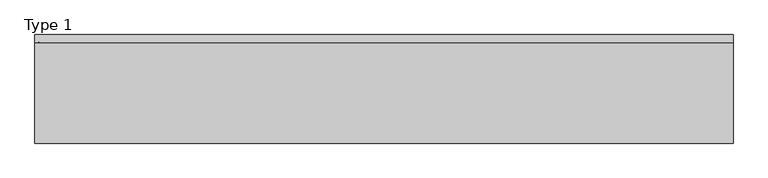
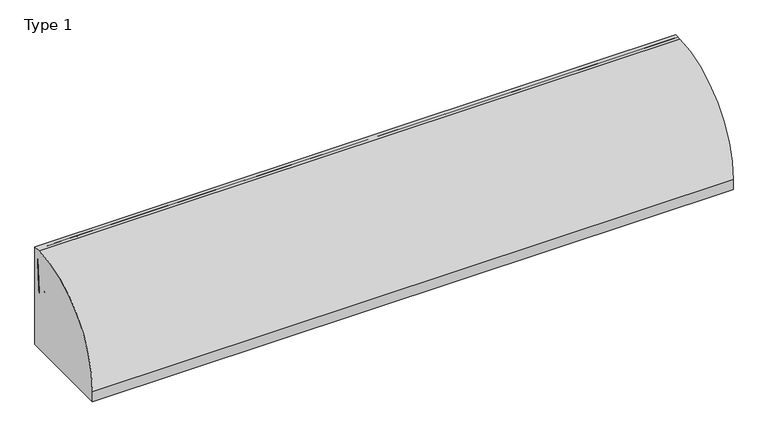
"""IFC4 building model written with IfcOpenShell, lengths in millimetres: railing geometry, Type 1."""

from ifc_helpers import new_model, si_unit, point, frame, frame_2d, origin, place, context, project, spatial, polyline, circle_curve, ellipse_curve, trimmed, segment, composite_curve, outline, extrude, source, transform, mapped, element, save
from ifc_brep_helpers import plane_surface, cylinder_surface, revolved_surface, advanced_brep


def type_1_98c625fb(model_context):
    return source(origin(), model_context, "Body", "SolidModel", [
        extrude(outline(composite_curve([segment(polyline([(824.2, 1050.0), (824.2, 0.0), (-187.2, 0.0), (-187.2, 108.0)]), True, "CONTINUOUS"), segment(trimmed(circle_curve(frame_2d((754.8273072, 108.0)), 942.0273072), [point((-187.2, 108.0))], [point((747.6546144, 1050.0))], False, "CARTESIAN"), True, "CONTINUOUS"), segment(polyline([(747.6546144, 1050.0), (824.2, 1050.0)]), True, "CONTINUOUS")], self_intersect=False)), frame((-400.0, 0.0, 0.0), z_axis=(1.0, 0.0, 0.0), x_axis=(0.0, 1.0, 0.0)), (0.0, 0.0, 1.0), 6500.0),
        extrude(outline(composite_curve([segment(polyline([(800.0, 185.0000001), (800.0, 1e-07), (598.1818182, 1e-07), (598.1818182, 41.5250756)]), True, "CONTINUOUS"), segment(trimmed(circle_curve(frame_2d((609.3939394, 41.5250756)), 11.2121212), [point((598.1818182, 41.5250756))], [point((601.4657725, 49.4532425))], False, "CARTESIAN"), True, "CONTINUOUS"), segment(polyline([(601.4657725, 49.4532425), (715.6668272, 163.6542973)]), True, "CONTINUOUS"), segment(trimmed(circle_curve(frame_2d((767.1999123, 112.1212122)), 72.8787879), [point((715.6668272, 163.6542973))], [point((767.1999123, 185.0000001))], False, "CARTESIAN"), True, "CONTINUOUS"), segment(polyline([(767.1999123, 185.0000001), (800.0, 185.0000001)]), True, "CONTINUOUS")], self_intersect=False), holes=[composite_curve([segment(trimmed(circle_curve(frame_2d((778.6969697, 93.0361975)), 67.389419), [point((711.3075507, 93.0361975))], [point((770.5995631, 159.9373619))], False, "CARTESIAN"), True, "CONTINUOUS"), segment(trimmed(circle_curve(frame_2d((770.8668077, 157.7293747)), 2.2241014), [point((770.5995631, 159.9373619))], [point((773.0909091, 157.7293747))], False, "CARTESIAN"), True, "CONTINUOUS"), segment(polyline([(773.0909091, 157.7293747), (773.0909091, 143.5676849)]), True, "CONTINUOUS"), segment(trimmed(circle_curve(frame_2d((778.6969697, 143.5676849)), 5.6060606), [point((773.0909091, 143.5676849))], [point((784.3030303, 143.5676849))], True, "CARTESIAN"), True, "CONTINUOUS"), segment(polyline([(784.3030303, 143.5676849), (784.3030303, 166.0316771)]), True, "CONTINUOUS"), segment(trimmed(circle_curve(frame_2d((778.6969697, 166.0316771)), 5.6060606), [point((784.3030303, 166.0316771))], [point((778.6969697, 171.6377377))], True, "CARTESIAN"), True, "CONTINUOUS"), segment(trimmed(circle_curve(frame_2d((778.6969697, 93.0361975)), 78.6015402), [point((778.6969697, 171.6377377))], [point((700.0954295, 93.0361975))], True, "CARTESIAN"), True, "CONTINUOUS"), segment(trimmed(circle_curve(frame_2d((705.7014901, 93.0361975)), 5.6060606), [point((700.0954295, 93.0361975))], [point((711.3075507, 93.0361975))], True, "CARTESIAN"), True, "CONTINUOUS")], self_intersect=False)]), frame((3622.3333333, 0.0, 0.0), z_axis=(1.0, 0.0, 0.0), x_axis=(0.0, 1.0, 0.0)), (0.0, 0.0, 1.0), 2.5),
        advanced_brep(
        [(3689.8333333, 800.0, 185.0000001), (3689.8333333, 800.0, 100.9768515), (3689.8333333, 800.0, 1e-07), (3689.8333333, 598.1818182, 1e-07), (3689.8333333, 598.1818182, 41.5250756), (3689.8333333, 601.4657725, 49.4532425), (3689.8333333, 715.6668272, 163.6542973), (3689.8333333, 767.1999123, 185.0000001), (3689.8333333, 711.3075507, 93.0361975), (3689.8333333, 770.5995631, 159.9373619), (3689.8333333, 773.0909091, 157.7293747), (3689.8333333, 773.0909091, 143.5676849), (3689.8333333, 784.3030303, 143.5676849), (3689.8333333, 784.3030303, 166.0316771), (3689.8333333, 778.6969697, 171.6377377), (3689.8333333, 700.0954295, 93.0361975), (3692.3333333, 800.0, 1e-07), (3692.3333333, 800.0, 100.9768515), (3692.3333333, 802.0, 100.9768515), (3692.3333333, 802.0, 185.0000001), (3692.3333333, 767.1999123, 185.0000001), (3692.3333333, 715.6668272, 163.6542973), (3692.3333333, 601.4657725, 49.4532425), (3692.3333333, 598.1818182, 41.5250756), (3692.3333333, 598.1818182, 1e-07), (3692.3333333, 711.3075507, 93.0361975), (3692.3333333, 700.0954295, 93.0361975), (3692.3333333, 778.6969697, 171.6377377), (3692.3333333, 784.3030303, 166.0316771), (3692.3333333, 784.3030303, 143.5676849), (3692.3333333, 773.0909091, 143.5676849), (3692.3333333, 773.0909091, 157.7293747), (3692.3333333, 770.5995631, 159.9373619), (3622.3333333, 802.0, 185.0000001), (3622.3333333, 800.0, 185.0000001), (3622.3333333, 802.0, 100.9768515), (3622.3333333, 800.0, 100.9768515)],
        [
            (0, 1),
            (1, 2),
            (2, 3),
            (3, 4),
            (4, 5, circle_curve(frame((3689.8333333, 609.3939394, 41.5250756), z_axis=(-1.0, 0.0, 0.0), x_axis=(0.0, 1.0, 0.0)), 11.2121212)),
            (5, 6),
            (6, 7, circle_curve(frame((3689.8333333, 767.1999123, 112.1212122), z_axis=(-1.0, 0.0, 0.0), x_axis=(0.0, 1.0, 0.0)), 72.8787879)),
            (7, 0),
            (8, 9, circle_curve(frame((3689.8333333, 778.6969697, 93.0361975), z_axis=(-1.0, 0.0, 0.0), x_axis=(0.0, 1.0, 0.0)), 67.389419)),
            (9, 10, circle_curve(frame((3689.8333333, 770.8668077, 157.7293747), z_axis=(-1.0, 0.0, 0.0), x_axis=(0.0, 1.0, 0.0)), 2.2241014)),
            (10, 11),
            (11, 12, circle_curve(frame((3689.8333333, 778.6969697, 143.5676849), z_axis=(1.0, 0.0, 0.0), x_axis=(0.0, 1.0, 0.0)), 5.6060606)),
            (12, 13),
            (13, 14, circle_curve(frame((3689.8333333, 778.6969697, 166.0316771), z_axis=(1.0, 0.0, 0.0), x_axis=(0.0, 1.0, 0.0)), 5.6060606)),
            (14, 15, circle_curve(frame((3689.8333333, 778.6969697, 93.0361975), z_axis=(1.0, 0.0, 0.0), x_axis=(0.0, 1.0, 0.0)), 78.6015402)),
            (15, 8, circle_curve(frame((3689.8333333, 705.7014901, 93.0361975), z_axis=(1.0, 0.0, 0.0), x_axis=(0.0, 1.0, 0.0)), 5.6060606)),
            (16, 17),
            (17, 18),
            (18, 19),
            (19, 20),
            (20, 21, circle_curve(frame((3692.3333333, 767.1999123, 112.1212122), z_axis=(1.0, 0.0, 0.0), x_axis=(0.0, 1.0, 0.0)), 72.8787879)),
            (21, 22),
            (22, 23, circle_curve(frame((3692.3333333, 609.3939394, 41.5250756), z_axis=(1.0, 0.0, 0.0), x_axis=(0.0, 1.0, 0.0)), 11.2121212)),
            (23, 24),
            (24, 16),
            (25, 26, circle_curve(frame((3692.3333333, 705.7014901, 93.0361975), z_axis=(-1.0, 0.0, 0.0), x_axis=(0.0, 1.0, 0.0)), 5.6060606)),
            (26, 27, circle_curve(frame((3692.3333333, 778.6969697, 93.0361975), z_axis=(-1.0, 0.0, 0.0), x_axis=(0.0, 1.0, 0.0)), 78.6015402)),
            (27, 28, circle_curve(frame((3692.3333333, 778.6969697, 166.0316771), z_axis=(-1.0, 0.0, 0.0), x_axis=(0.0, 1.0, 0.0)), 5.6060606)),
            (28, 29),
            (29, 30, circle_curve(frame((3692.3333333, 778.6969697, 143.5676849), z_axis=(-1.0, 0.0, 0.0), x_axis=(0.0, 1.0, 0.0)), 5.6060606)),
            (30, 31),
            (31, 32, circle_curve(frame((3692.3333333, 770.8668077, 157.7293747), z_axis=(1.0, 0.0, 0.0), x_axis=(0.0, 1.0, 0.0)), 2.2241014)),
            (32, 25, circle_curve(frame((3692.3333333, 778.6969697, 93.0361975), z_axis=(1.0, 0.0, 0.0), x_axis=(0.0, 1.0, 0.0)), 67.389419)),
            (7, 20),
            (19, 33),
            (33, 34),
            (34, 0),
            (6, 21),
            (5, 22),
            (4, 23),
            (3, 24),
            (2, 16),
            (1, 17),
            (15, 26),
            (25, 8),
            (14, 27),
            (13, 28),
            (32, 9),
            (12, 29),
            (11, 30),
            (10, 31),
            (18, 35),
            (35, 33),
            (36, 1),
            (34, 36),
            (35, 36),
        ],
        [
            plane_surface(frame((3689.8333333, 798.2270223, 185.0000001), z_axis=(-1.0, 0.0, 0.0), x_axis=(0.0, -1.0, 0.0))),
            plane_surface(frame((3692.3333333, 798.2270223, 185.0000001), z_axis=(1.0, 0.0, 0.0), x_axis=(0.0, 1.0, 0.0))),
            plane_surface(frame((3689.8333333, 800.0, 185.0000001), z_axis=(0.0, 0.0, 1.0), x_axis=(1.0, 0.0, 0.0))),
            cylinder_surface(frame((3692.3333333, 767.1999123, 112.1212122), z_axis=(-1.0, 0.0, 0.0), x_axis=(0.0, 1.0, 0.0)), 72.8787879),
            plane_surface(frame((3689.8333333, 715.6668272, 163.6542973), z_axis=(0.0, -0.7071067811865421, 0.7071067811865529), x_axis=(1.0, 0.0, 0.0))),
            cylinder_surface(frame((3692.3333333, 609.3939394, 41.5250756), z_axis=(-1.0, 0.0, 0.0), x_axis=(0.0, 1.0, 0.0)), 11.2121212),
            plane_surface(frame((3689.8333333, 598.1818182, 41.5250756), z_axis=(0.0, -1.0, 0.0), x_axis=(1.0, 0.0, 0.0))),
            plane_surface(frame((3689.8333333, 598.1818182, 1e-07), z_axis=(0.0, 0.0, -1.0), x_axis=(1.0, 0.0, 0.0))),
            plane_surface(frame((3689.8333333, 800.0, 1e-07), z_axis=(0.0, 1.0, 0.0), x_axis=(1.0, 0.0, 0.0))),
            revolved_surface(polyline([(3692.3333333, 711.3075507, 93.0361975), (3689.8333333, 711.3075507, 93.0361975)]), (3692.3333333, 705.7014901, 93.0361975), (1.0, 0.0, 0.0)),
            revolved_surface(polyline([(3692.3333333, 857.2985099, 93.0361975), (3689.8333333, 857.2985099, 93.0361975)]), (3692.3333333, 778.6969697, 93.0361975), (1.0, 0.0, 0.0)),
            revolved_surface(polyline([(3692.3333333, 784.3030302999999, 166.0316771), (3689.8333333, 784.3030302999999, 166.0316771)]), (3692.3333333, 778.6969697, 166.0316771), (1.0, 0.0, 0.0)),
            cylinder_surface(frame((3692.3333333, 778.6969697, 93.0361975), z_axis=(-1.0, 0.0, 0.0), x_axis=(0.0, 1.0, 0.0)), 67.389419),
            plane_surface(frame((3689.8333333, 784.3030303, 166.0316771), z_axis=(0.0, -1.0, 0.0), x_axis=(1.0, 0.0, 0.0))),
            revolved_surface(polyline([(3692.3333333, 784.3030302999999, 143.5676849), (3689.8333333, 784.3030302999999, 143.5676849)]), (3692.3333333, 778.6969697, 143.5676849), (1.0, 0.0, 0.0)),
            plane_surface(frame((3689.8333333, 773.0909091, 143.5676849), z_axis=(0.0, 1.0, 0.0), x_axis=(1.0, 0.0, 0.0))),
            cylinder_surface(frame((3692.3333333, 770.8668077, 157.7293747), z_axis=(-1.0, 0.0, 0.0), x_axis=(0.0, 1.0, 0.0)), 2.2241014),
            plane_surface(frame((3622.3333333, 802.0, 185.0000001), z_axis=(0.0, 1.0, 0.0), x_axis=(-1.0, 0.0, 0.0))),
            plane_surface(frame((3622.3333333, 800.0, 185.0000001), z_axis=(0.0, -1.0, 0.0), x_axis=(1.0, 0.0, 0.0))),
            plane_surface(frame((3622.3333333, 802.0, 185.0000001), z_axis=(-1.0, 0.0, 0.0), x_axis=(0.0, -1.0, 0.0))),
            plane_surface(frame((3622.3333333, 802.0, 100.9768515), z_axis=(0.0, 0.0, -1.0), x_axis=(0.0, -1.0, 0.0))),
        ],
        [
            (0, [[1, 2, 3, 4, 5, 6, 7, 8], [9, 10, 11, 12, 13, 14, 15, 16]]),
            (1, [[17, 18, 19, 20, 21, 22, 23, 24, 25], [26, 27, 28, 29, 30, 31, 32, 33]]),
            (2, [[34, -20, 35, 36, 37, -8]]),
            (3, [[38, -21, -34, -7]]),
            (4, [[39, -22, -38, -6]]),
            (5, [[40, -23, -39, -5]]),
            (6, [[41, -24, -40, -4]]),
            (7, [[42, -25, -41, -3]]),
            (8, [[-2, 43, -17, -42]]),
            (9, [[44, -26, 45, -16]]),
            (10, [[46, -27, -44, -15]]),
            (11, [[47, -28, -46, -14]]),
            (12, [[-45, -33, 48, -9]]),
            (13, [[49, -29, -47, -13]]),
            (14, [[50, -30, -49, -12]]),
            (15, [[51, -31, -50, -11]]),
            (16, [[-48, -32, -51, -10]]),
            (17, [[-19, 52, 53, -35]]),
            (18, [[54, -1, -37, 55]]),
            (19, [[56, -55, -36, -53]]),
            (20, [[-18, -43, -54, -56, -52]]),
        ],
    ),
        extrude(outline(composite_curve([segment(polyline([(3634.3333333, 800.0), (3680.3333333, 800.0)]), True, "CONTINUOUS"), segment(trimmed(circle_curve(frame_2d((3680.3333333, 795.0)), 5.0), [point((3680.3333333, 800.0))], [point((3685.3333333, 795.0))], False, "CARTESIAN"), True, "CONTINUOUS"), segment(polyline([(3685.3333333, 795.0), (3685.3333333, 767.0)]), True, "CONTINUOUS"), segment(trimmed(circle_curve(frame_2d((3680.3333333, 767.0)), 5.0), [point((3685.3333333, 767.0))], [point((3680.3333333, 762.0))], False, "CARTESIAN"), True, "CONTINUOUS"), segment(polyline([(3680.3333333, 762.0), (3634.3333333, 762.0)]), True, "CONTINUOUS"), segment(trimmed(circle_curve(frame_2d((3634.3333333, 767.0)), 5.0), [point((3634.3333333, 762.0))], [point((3629.3333333, 767.0))], False, "CARTESIAN"), True, "CONTINUOUS"), segment(polyline([(3629.3333333, 767.0), (3629.3333333, 795.0)]), True, "CONTINUOUS"), segment(trimmed(circle_curve(frame_2d((3634.3333333, 795.0)), 5.0), [point((3629.3333333, 795.0))], [point((3634.3333333, 800.0))], False, "CARTESIAN"), True, "CONTINUOUS")], self_intersect=False)), frame((0.0, 0.0, 43.0000001), z_axis=(0.0, 0.0, 1.0), x_axis=(1.0, 0.0, 0.0)), (0.0, 0.0, 1.0), 965.0),
        extrude(outline(composite_curve([segment(polyline([(1e-07, 3689.8333333), (36.5000001, 3689.8333333)]), True, "CONTINUOUS"), segment(trimmed(circle_curve(frame_2d((36.5000001, 3688.3333333)), 1.5), [point((36.5000001, 3689.8333333))], [point((36.5000001, 3686.8333333))], False, "CARTESIAN"), True, "CONTINUOUS"), segment(polyline([(36.5000001, 3686.8333333), (3.0000001, 3686.8333333), (3.0000001, 3627.8333333), (36.5000001, 3627.8333333)]), True, "CONTINUOUS"), segment(trimmed(circle_curve(frame_2d((36.5000001, 3626.3333333)), 1.5), [point((36.5000001, 3627.8333333))], [point((36.5000001, 3624.8333333))], False, "CARTESIAN"), True, "CONTINUOUS"), segment(polyline([(36.5000001, 3624.8333333), (1e-07, 3624.8333333), (1e-07, 3689.8333333)]), True, "CONTINUOUS")], self_intersect=False)), frame((0.0, 0.0, 0.0), z_axis=(0.0, 1.0, 0.0), x_axis=(0.0, 0.0, 1.0)), (0.0, 0.0, 1.0), 800.0),
        extrude(outline(composite_curve([segment(polyline([(800.0, 185.0), (800.0, 0.0), (598.1818182, 0.0), (598.1818182, 41.5250756)]), True, "CONTINUOUS"), segment(trimmed(circle_curve(frame_2d((609.3939394, 41.5250756)), 11.2121212), [point((598.1818182, 41.5250756))], [point((601.4657725, 49.4532425))], False, "CARTESIAN"), True, "CONTINUOUS"), segment(polyline([(601.4657725, 49.4532425), (715.6668272, 163.6542973)]), True, "CONTINUOUS"), segment(trimmed(circle_curve(frame_2d((767.1999123, 112.1212122)), 72.8787879), [point((715.6668272, 163.6542973))], [point((767.1999123, 185.0))], False, "CARTESIAN"), True, "CONTINUOUS"), segment(polyline([(767.1999123, 185.0), (800.0, 185.0)]), True, "CONTINUOUS")], self_intersect=False), holes=[composite_curve([segment(trimmed(circle_curve(frame_2d((778.6969697, 93.0361975)), 67.389419), [point((711.3075507, 93.0361975))], [point((770.5995631, 159.9373619))], False, "CARTESIAN"), True, "CONTINUOUS"), segment(trimmed(circle_curve(frame_2d((770.8668077, 157.7293747)), 2.2241014), [point((770.5995631, 159.9373619))], [point((773.0909091, 157.7293747))], False, "CARTESIAN"), True, "CONTINUOUS"), segment(polyline([(773.0909091, 157.7293747), (773.0909091, 143.5676849)]), True, "CONTINUOUS"), segment(trimmed(circle_curve(frame_2d((778.6969697, 143.5676849)), 5.6060606), [point((773.0909091, 143.5676849))], [point((784.3030303, 143.5676849))], True, "CARTESIAN"), True, "CONTINUOUS"), segment(polyline([(784.3030303, 143.5676849), (784.3030303, 166.0316771)]), True, "CONTINUOUS"), segment(trimmed(circle_curve(frame_2d((778.6969697, 166.0316771)), 5.6060606), [point((784.3030303, 166.0316771))], [point((778.6969697, 171.6377377))], True, "CARTESIAN"), True, "CONTINUOUS"), segment(trimmed(circle_curve(frame_2d((778.6969697, 93.0361975)), 78.6015402), [point((778.6969697, 171.6377377))], [point((700.0954295, 93.0361975))], True, "CARTESIAN"), True, "CONTINUOUS"), segment(trimmed(circle_curve(frame_2d((705.7014901, 93.0361975)), 5.6060606), [point((700.0954295, 93.0361975))], [point((711.3075507, 93.0361975))], True, "CARTESIAN"), True, "CONTINUOUS")], self_intersect=False)]), frame((1807.6666667, 0.0, 0.0), z_axis=(1.0, 0.0, 0.0), x_axis=(0.0, 1.0, 0.0)), (0.0, 0.0, 1.0), 2.5),
        advanced_brep(
        [(1875.1666667, 800.0, 185.0), (1875.1666667, 800.0, 100.9768515), (1875.1666667, 800.0, 0.0), (1875.1666667, 598.1818182, 0.0), (1875.1666667, 598.1818182, 41.5250756), (1875.1666667, 601.4657725, 49.4532425), (1875.1666667, 715.6668272, 163.6542973), (1875.1666667, 767.1999123, 185.0), (1875.1666667, 711.3075507, 93.0361975), (1875.1666667, 770.5995631, 159.9373619), (1875.1666667, 773.0909091, 157.7293747), (1875.1666667, 773.0909091, 143.5676849), (1875.1666667, 784.3030303, 143.5676849), (1875.1666667, 784.3030303, 166.0316771), (1875.1666667, 778.6969697, 171.6377377), (1875.1666667, 700.0954295, 93.0361975), (1877.6666667, 800.0, 0.0), (1877.6666667, 800.0, 100.9768515), (1877.6666667, 802.0, 100.9768515), (1877.6666667, 802.0, 185.0), (1877.6666667, 767.1999123, 185.0), (1877.6666667, 715.6668272, 163.6542973), (1877.6666667, 601.4657725, 49.4532425), (1877.6666667, 598.1818182, 41.5250756), (1877.6666667, 598.1818182, 0.0), (1877.6666667, 711.3075507, 93.0361975), (1877.6666667, 700.0954295, 93.0361975), (1877.6666667, 778.6969697, 171.6377377), (1877.6666667, 784.3030303, 166.0316771), (1877.6666667, 784.3030303, 143.5676849), (1877.6666667, 773.0909091, 143.5676849), (1877.6666667, 773.0909091, 157.7293747), (1877.6666667, 770.5995631, 159.9373619), (1807.6666667, 802.0, 185.0), (1807.6666667, 800.0, 185.0), (1807.6666667, 802.0, 100.9768515), (1807.6666667, 800.0, 100.9768515)],
        [
            (0, 1),
            (1, 2),
            (2, 3),
            (3, 4),
            (4, 5, circle_curve(frame((1875.1666667, 609.3939394, 41.5250756), z_axis=(-1.0, 0.0, 0.0), x_axis=(0.0, 1.0, 0.0)), 11.2121212)),
            (5, 6),
            (6, 7, circle_curve(frame((1875.1666667, 767.1999123, 112.1212122), z_axis=(-1.0, 0.0, 0.0), x_axis=(0.0, 1.0, 0.0)), 72.8787879)),
            (7, 0),
            (8, 9, circle_curve(frame((1875.1666667, 778.6969697, 93.0361975), z_axis=(-1.0, 0.0, 0.0), x_axis=(0.0, 1.0, 0.0)), 67.389419)),
            (9, 10, circle_curve(frame((1875.1666667, 770.8668077, 157.7293747), z_axis=(-1.0, 0.0, 0.0), x_axis=(0.0, 1.0, 0.0)), 2.2241014)),
            (10, 11),
            (11, 12, circle_curve(frame((1875.1666667, 778.6969697, 143.5676849), z_axis=(1.0, 0.0, 0.0), x_axis=(0.0, 1.0, 0.0)), 5.6060606)),
            (12, 13),
            (13, 14, circle_curve(frame((1875.1666667, 778.6969697, 166.0316771), z_axis=(1.0, 0.0, 0.0), x_axis=(0.0, 1.0, 0.0)), 5.6060606)),
            (14, 15, circle_curve(frame((1875.1666667, 778.6969697, 93.0361975), z_axis=(1.0, 0.0, 0.0), x_axis=(0.0, 1.0, 0.0)), 78.6015402)),
            (15, 8, circle_curve(frame((1875.1666667, 705.7014901, 93.0361975), z_axis=(1.0, 0.0, 0.0), x_axis=(0.0, 1.0, 0.0)), 5.6060606)),
            (16, 17),
            (17, 18),
            (18, 19),
            (19, 20),
            (20, 21, circle_curve(frame((1877.6666667, 767.1999123, 112.1212122), z_axis=(1.0, 0.0, 0.0), x_axis=(0.0, 1.0, 0.0)), 72.8787879)),
            (21, 22),
            (22, 23, circle_curve(frame((1877.6666667, 609.3939394, 41.5250756), z_axis=(1.0, 0.0, 0.0), x_axis=(0.0, 1.0, 0.0)), 11.2121212)),
            (23, 24),
            (24, 16),
            (25, 26, circle_curve(frame((1877.6666667, 705.7014901, 93.0361975), z_axis=(-1.0, 0.0, 0.0), x_axis=(0.0, 1.0, 0.0)), 5.6060606)),
            (26, 27, circle_curve(frame((1877.6666667, 778.6969697, 93.0361975), z_axis=(-1.0, 0.0, 0.0), x_axis=(0.0, 1.0, 0.0)), 78.6015402)),
            (27, 28, circle_curve(frame((1877.6666667, 778.6969697, 166.0316771), z_axis=(-1.0, 0.0, 0.0), x_axis=(0.0, 1.0, 0.0)), 5.6060606)),
            (28, 29),
            (29, 30, circle_curve(frame((1877.6666667, 778.6969697, 143.5676849), z_axis=(-1.0, 0.0, 0.0), x_axis=(0.0, 1.0, 0.0)), 5.6060606)),
            (30, 31),
            (31, 32, circle_curve(frame((1877.6666667, 770.8668077, 157.7293747), z_axis=(1.0, 0.0, 0.0), x_axis=(0.0, 1.0, 0.0)), 2.2241014)),
            (32, 25, circle_curve(frame((1877.6666667, 778.6969697, 93.0361975), z_axis=(1.0, 0.0, 0.0), x_axis=(0.0, 1.0, 0.0)), 67.389419)),
            (7, 20),
            (19, 33),
            (33, 34),
            (34, 0),
            (6, 21),
            (5, 22),
            (4, 23),
            (3, 24),
            (2, 16),
            (1, 17),
            (15, 26),
            (25, 8),
            (14, 27),
            (13, 28),
            (32, 9),
            (12, 29),
            (11, 30),
            (10, 31),
            (18, 35),
            (35, 33),
            (36, 1),
            (34, 36),
            (35, 36),
        ],
        [
            plane_surface(frame((1875.1666667, 798.2270223, 185.0), z_axis=(-1.0, 0.0, 0.0), x_axis=(0.0, -1.0, 0.0))),
            plane_surface(frame((1877.6666667, 798.2270223, 185.0), z_axis=(1.0, 0.0, 0.0), x_axis=(0.0, 1.0, 0.0))),
            plane_surface(frame((1875.1666667, 800.0, 185.0), z_axis=(0.0, 0.0, 1.0), x_axis=(1.0, 0.0, 0.0))),
            cylinder_surface(frame((1877.6666667, 767.1999123, 112.1212122), z_axis=(-1.0, 0.0, 0.0), x_axis=(0.0, 1.0, 0.0)), 72.8787879),
            plane_surface(frame((1875.1666667, 715.6668272, 163.6542973), z_axis=(0.0, -0.7071067811865421, 0.7071067811865529), x_axis=(1.0, 0.0, 0.0))),
            cylinder_surface(frame((1877.6666667, 609.3939394, 41.5250756), z_axis=(-1.0, 0.0, 0.0), x_axis=(0.0, 1.0, 0.0)), 11.2121212),
            plane_surface(frame((1875.1666667, 598.1818182, 41.5250756), z_axis=(0.0, -1.0, 0.0), x_axis=(1.0, 0.0, 0.0))),
            plane_surface(frame((1875.1666667, 598.1818182, 0.0), z_axis=(0.0, 0.0, -1.0), x_axis=(1.0, 0.0, 0.0))),
            plane_surface(frame((1875.1666667, 800.0, 0.0), z_axis=(0.0, 1.0, 0.0), x_axis=(1.0, 0.0, 0.0))),
            revolved_surface(polyline([(1877.6666667, 711.3075507, 93.0361975), (1875.1666667, 711.3075507, 93.0361975)]), (1877.6666667, 705.7014901, 93.0361975), (1.0, 0.0, 0.0)),
            revolved_surface(polyline([(1877.6666667, 857.2985099, 93.0361975), (1875.1666667, 857.2985099, 93.0361975)]), (1877.6666667, 778.6969697, 93.0361975), (1.0, 0.0, 0.0)),
            revolved_surface(polyline([(1877.6666667, 784.3030302999999, 166.0316771), (1875.1666667, 784.3030302999999, 166.0316771)]), (1877.6666667, 778.6969697, 166.0316771), (1.0, 0.0, 0.0)),
            cylinder_surface(frame((1877.6666667, 778.6969697, 93.0361975), z_axis=(-1.0, 0.0, 0.0), x_axis=(0.0, 1.0, 0.0)), 67.389419),
            plane_surface(frame((1875.1666667, 784.3030303, 166.0316771), z_axis=(0.0, -1.0, 0.0), x_axis=(1.0, 0.0, 0.0))),
            revolved_surface(polyline([(1877.6666667, 784.3030302999999, 143.5676849), (1875.1666667, 784.3030302999999, 143.5676849)]), (1877.6666667, 778.6969697, 143.5676849), (1.0, 0.0, 0.0)),
            plane_surface(frame((1875.1666667, 773.0909091, 143.5676849), z_axis=(0.0, 1.0, 0.0), x_axis=(1.0, 0.0, 0.0))),
            cylinder_surface(frame((1877.6666667, 770.8668077, 157.7293747), z_axis=(-1.0, 0.0, 0.0), x_axis=(0.0, 1.0, 0.0)), 2.2241014),
            plane_surface(frame((1807.6666667, 802.0, 185.0), z_axis=(0.0, 1.0, 0.0), x_axis=(-1.0, 0.0, 0.0))),
            plane_surface(frame((1807.6666667, 800.0, 185.0), z_axis=(0.0, -1.0, 0.0), x_axis=(1.0, 0.0, 0.0))),
            plane_surface(frame((1807.6666667, 802.0, 185.0), z_axis=(-1.0, 0.0, 0.0), x_axis=(0.0, -1.0, 0.0))),
            plane_surface(frame((1807.6666667, 802.0, 100.9768515), z_axis=(0.0, 0.0, -1.0), x_axis=(0.0, -1.0, 0.0))),
        ],
        [
            (0, [[1, 2, 3, 4, 5, 6, 7, 8], [9, 10, 11, 12, 13, 14, 15, 16]]),
            (1, [[17, 18, 19, 20, 21, 22, 23, 24, 25], [26, 27, 28, 29, 30, 31, 32, 33]]),
            (2, [[34, -20, 35, 36, 37, -8]]),
            (3, [[38, -21, -34, -7]]),
            (4, [[39, -22, -38, -6]]),
            (5, [[40, -23, -39, -5]]),
            (6, [[41, -24, -40, -4]]),
            (7, [[42, -25, -41, -3]]),
            (8, [[-2, 43, -17, -42]]),
            (9, [[44, -26, 45, -16]]),
            (10, [[46, -27, -44, -15]]),
            (11, [[47, -28, -46, -14]]),
            (12, [[-45, -33, 48, -9]]),
            (13, [[49, -29, -47, -13]]),
            (14, [[50, -30, -49, -12]]),
            (15, [[51, -31, -50, -11]]),
            (16, [[-48, -32, -51, -10]]),
            (17, [[-19, 52, 53, -35]]),
            (18, [[54, -1, -37, 55]]),
            (19, [[56, -55, -36, -53]]),
            (20, [[-18, -43, -54, -56, -52]]),
        ],
    ),
        extrude(outline(composite_curve([segment(polyline([(1819.6666667, 800.0), (1865.6666667, 800.0)]), True, "CONTINUOUS"), segment(trimmed(circle_curve(frame_2d((1865.6666667, 795.0)), 5.0), [point((1865.6666667, 800.0))], [point((1870.6666667, 795.0))], False, "CARTESIAN"), True, "CONTINUOUS"), segment(polyline([(1870.6666667, 795.0), (1870.6666667, 767.0)]), True, "CONTINUOUS"), segment(trimmed(circle_curve(frame_2d((1865.6666667, 767.0)), 5.0), [point((1870.6666667, 767.0))], [point((1865.6666667, 762.0))], False, "CARTESIAN"), True, "CONTINUOUS"), segment(polyline([(1865.6666667, 762.0), (1819.6666667, 762.0)]), True, "CONTINUOUS"), segment(trimmed(circle_curve(frame_2d((1819.6666667, 767.0)), 5.0), [point((1819.6666667, 762.0))], [point((1814.6666667, 767.0))], False, "CARTESIAN"), True, "CONTINUOUS"), segment(polyline([(1814.6666667, 767.0), (1814.6666667, 795.0)]), True, "CONTINUOUS"), segment(trimmed(circle_curve(frame_2d((1819.6666667, 795.0)), 5.0), [point((1814.6666667, 795.0))], [point((1819.6666667, 800.0))], False, "CARTESIAN"), True, "CONTINUOUS")], self_intersect=False)), frame((0.0, 0.0, 43.0), z_axis=(0.0, 0.0, 1.0), x_axis=(1.0, 0.0, 0.0)), (0.0, 0.0, 1.0), 965.0),
        extrude(outline(composite_curve([segment(polyline([(0.0, 1875.1666667), (36.5, 1875.1666667)]), True, "CONTINUOUS"), segment(trimmed(circle_curve(frame_2d((36.5, 1873.6666667)), 1.5), [point((36.5, 1875.1666667))], [point((36.5, 1872.1666667))], False, "CARTESIAN"), True, "CONTINUOUS"), segment(polyline([(36.5, 1872.1666667), (3.0, 1872.1666667), (3.0, 1813.1666667), (36.5, 1813.1666667)]), True, "CONTINUOUS"), segment(trimmed(circle_curve(frame_2d((36.5, 1811.6666667)), 1.5), [point((36.5, 1813.1666667))], [point((36.5, 1810.1666667))], False, "CARTESIAN"), True, "CONTINUOUS"), segment(polyline([(36.5, 1810.1666667), (0.0, 1810.1666667), (0.0, 1875.1666667)]), True, "CONTINUOUS")], self_intersect=False)), frame((0.0, 0.0, 0.0), z_axis=(0.0, 1.0, 0.0), x_axis=(0.0, 0.0, 1.0)), (0.0, 0.0, 1.0), 800.0),
        advanced_brep(
        [(-200.0, 746.3, 518.0), (-200.0, 746.3, 558.0), (-210.0, 746.3, 513.0), (-210.0, 746.3, 563.0)],
        [
            (0, 1, circle_curve(frame((-200.0, 746.3, 538.0), z_axis=(1.0, 0.0, 0.0), x_axis=(0.0, 0.0, 1.0)), 20.0)),
            (1, 0, circle_curve(frame((-200.0, 746.3, 538.0), z_axis=(1.0, 0.0, 0.0), x_axis=(0.0, 0.0, -1.0)), 20.0)),
            (2, 3, circle_curve(frame((-210.0, 746.3, 538.0), z_axis=(-1.0, 0.0, 0.0), x_axis=(0.0, 0.0, -1.0)), 25.0)),
            (3, 2, circle_curve(frame((-210.0, 746.3, 538.0), z_axis=(-1.0, 0.0, 0.0), x_axis=(0.0, 0.0, 1.0)), 25.0)),
            (2, 0),
            (1, 3),
        ],
        [
            plane_surface(frame((-200.0, 746.3, 538.0), z_axis=(1.0, 0.0, 0.0), x_axis=(0.0, -1.0, 0.0))),
            plane_surface(frame((-210.0, 746.3, 538.0), z_axis=(-1.0, 0.0, 0.0), x_axis=(0.0, -1.0, 0.0))),
            revolved_surface(polyline([(-200.0, 746.3, 518.0), (-210.0, 746.3, 513.0)]), (-160.0, 746.3, 538.0), (-1.0, 0.0, 0.0)),
            revolved_surface(polyline([(-200.0, 746.3, 558.0), (-210.0, 746.3, 563.0)]), (-160.0, 746.3, 538.0), (-1.0, 0.0, 0.0)),
        ],
        [
            (0, [[1, 2]]),
            (1, [[3, 4]]),
            (2, [[5, -2, 6, -3]]),
            (3, [[-6, -1, -5, -4]]),
        ],
    ),
        advanced_brep(
        [(0.0, 782.7768095, 1049.936779), (0.0, 779.2231905, 1000.063221), (-300.0, 779.2231905, 1000.063221), (-300.0, 782.7768095, 1049.936779), (-350.0, 775.6695715, 950.1896629), (-400.0, 775.6695715, 950.1896629), (-350.0, 751.6399996, 612.9446635), (-400.0, 751.6399996, 612.9446635), (-300.0, 748.0863806, 563.0711054), (-300.0, 744.5327616, 513.1975474), (-210.0, 744.5327616, 513.1975474), (-210.0, 748.0863806, 563.0711054)],
        [
            (0, 1, circle_curve(frame((0.0, 781.0, 1025.0), z_axis=(1.0, 0.0, 0.0), x_axis=(0.0, -0.07107238045514495, -0.9974711608545078)), 25.0)),
            (1, 0, circle_curve(frame((0.0, 781.0, 1025.0), z_axis=(1.0, 0.0, 0.0), x_axis=(0.0, -0.07107238045514495, -0.9974711608545078)), 25.0)),
            (1, 2),
            (2, 3, circle_curve(frame((-300.0, 781.0, 1025.0), z_axis=(1.0, 0.0, 0.0), x_axis=(0.0, -0.07107238045514495, -0.9974711608545078)), 25.0)),
            (3, 0),
            (3, 2, circle_curve(frame((-300.0, 781.0, 1025.0), z_axis=(1.0, 0.0, 0.0), x_axis=(0.0, -0.07107238045514495, -0.9974711608545078)), 25.0)),
            (4, 5, circle_curve(frame((-375.0, 775.6695715, 950.1896629), z_axis=(0.0, 0.07107238045514495, 0.9974711608545078), x_axis=(1.0000000000000002, 0.0, 0.0)), 25.0)),
            (5, 3, circle_curve(frame((-300.0, 775.6695715, 950.1896629), z_axis=(0.0, 0.9974711608545078, -0.07107238045514495), x_axis=(0.0, 0.07107238045514495, 0.9974711608545078)), 100.0)),
            (2, 4, circle_curve(frame((-300.0, 775.6695715, 950.1896629), z_axis=(0.0, -0.9974711608545078, 0.07107238045514495), x_axis=(0.0, 0.07107238045514495, 0.9974711608545078)), 50.0)),
            (5, 4, circle_curve(frame((-375.0, 775.6695715, 950.1896629), z_axis=(0.0, 0.07107238045514495, 0.9974711608545078), x_axis=(1.0000000000000002, 0.0, 0.0)), 25.0)),
            (4, 6),
            (6, 7, circle_curve(frame((-375.0, 751.6399996, 612.9446635), z_axis=(0.0, 0.07107238045514497, 0.9974711608545077), x_axis=(1.0, 0.0, 0.0)), 25.0)),
            (7, 5),
            (7, 6, circle_curve(frame((-375.0, 751.6399996, 612.9446635), z_axis=(0.0, 0.07107238045514497, 0.9974711608545077), x_axis=(1.0, 0.0, 0.0)), 25.0)),
            (8, 9, circle_curve(frame((-300.0, 746.3095711, 538.1343264), z_axis=(-1.0, 0.0, 0.0), x_axis=(0.0, 0.07107238045514497, 0.9974711608545078)), 25.0)),
            (9, 7, circle_curve(frame((-300.0, 751.6399996, 612.9446635), z_axis=(0.0, 0.9974711608545078, -0.07107238045514495), x_axis=(-1.0, 0.0, 0.0)), 100.0)),
            (6, 8, circle_curve(frame((-300.0, 751.6399996, 612.9446635), z_axis=(0.0, -0.9974711608545078, 0.07107238045514495), x_axis=(-1.0, 0.0, 0.0)), 50.0)),
            (9, 8, circle_curve(frame((-300.0, 746.3095711, 538.1343264), z_axis=(-1.0, 0.0, 0.0), x_axis=(0.0, 0.07107238045514497, 0.9974711608545078)), 25.0)),
            (10, 11, circle_curve(frame((-210.0, 746.3095711, 538.1343264), z_axis=(1.0, 0.0, 0.0), x_axis=(0.0, 0.07107238045514495, 0.9974711608545078)), 25.0)),
            (11, 10, circle_curve(frame((-210.0, 746.3095711, 538.1343264), z_axis=(1.0, 0.0, 0.0), x_axis=(0.0, 0.07107238045514495, 0.9974711608545078)), 25.0)),
            (8, 11),
            (10, 9),
        ],
        [
            plane_surface(frame((0.0, 782.7768095, 1049.936779), z_axis=(1.0000000000000002, 0.0, 0.0), x_axis=(0.0, 0.9974711608545078, -0.07107238045514495))),
            cylinder_surface(frame((0.0, 781.0, 1025.0), z_axis=(1.0000000000000002, 0.0, 0.0), x_axis=(0.0, -0.07107238045514495, -0.9974711608545078)), 25.0),
            revolved_surface(trimmed(ellipse_curve(frame((-300.0, 781.0, 1025.0), z_axis=(-1.0000000000000002, 0.0, 0.0), x_axis=(0.0, -0.07107238045514495, -0.9974711608545078)), 25.0, 25.0), [point((-300.0, 782.7768095, 1049.936779))], [point((-300.0, 779.2231905, 1000.063221))], True, "CARTESIAN"), (-300.0, 775.6695715, 950.1896629), (0.0, 0.9974711608545078, -0.07107238045514495)),
            revolved_surface(trimmed(ellipse_curve(frame((-300.0, 781.0, 1025.0), z_axis=(-1.0000000000000002, 0.0, 0.0), x_axis=(0.0, -0.07107238045514495, -0.9974711608545078)), 25.0, 25.0), [point((-300.0, 779.2231905, 1000.063221))], [point((-300.0, 782.7768095, 1049.936779))], True, "CARTESIAN"), (-300.0, 775.6695715, 950.1896629), (0.0, 0.9974711608545078, -0.07107238045514495)),
            cylinder_surface(frame((-375.0, 775.6695715, 950.1896629), z_axis=(0.0, 0.07107238045514497, 0.9974711608545077), x_axis=(1.0, 0.0, 0.0)), 25.0),
            revolved_surface(trimmed(ellipse_curve(frame((-375.0, 751.6399996, 612.9446635), z_axis=(0.0, -0.07107238045514498, -0.9974711608545078), x_axis=(1.0, 0.0, 0.0)), 25.0, 25.0), [point((-400.0, 751.6399996, 612.9446635))], [point((-350.0, 751.6399996, 612.9446635))], True, "CARTESIAN"), (-300.0, 751.6399996, 612.9446635), (0.0, 0.9974711608545078, -0.07107238045514495)),
            revolved_surface(trimmed(ellipse_curve(frame((-375.0, 751.6399996, 612.9446635), z_axis=(0.0, -0.07107238045514498, -0.9974711608545078), x_axis=(1.0, 0.0, 0.0)), 25.0, 25.0), [point((-350.0, 751.6399996, 612.9446635))], [point((-400.0, 751.6399996, 612.9446635))], True, "CARTESIAN"), (-300.0, 751.6399996, 612.9446635), (0.0, 0.9974711608545078, -0.07107238045514495)),
            plane_surface(frame((-210.0, 744.5327616, 513.1975474), z_axis=(1.0000000000000002, 0.0, 0.0), x_axis=(0.0, 0.9974711608545078, -0.07107238045514495))),
            cylinder_surface(frame((-300.0, 746.3095711, 538.1343264), z_axis=(-1.0, 0.0, 0.0), x_axis=(0.0, 0.07107238045514495, 0.9974711608545078)), 25.0),
        ],
        [
            (0, [[1, 2]]),
            (1, [[3, 4, 5, -2]]),
            (1, [[-5, 6, -3, -1]]),
            (2, [[7, 8, -4, 9]]),
            (3, [[10, -9, -6, -8]]),
            (4, [[11, 12, 13, -7]]),
            (4, [[-13, 14, -11, -10]]),
            (5, [[15, 16, -12, 17]]),
            (6, [[18, -17, -14, -16]]),
            (7, [[19, 20]]),
            (8, [[21, -19, 22, -15]]),
            (8, [[-22, -20, -21, -18]]),
        ],
    ),
        extrude(outline(composite_curve([segment(polyline([(727.7, 530.617273), (731.7, 530.617273), (731.7, 545.382727), (727.7, 545.382727)]), True, "CONTINUOUS"), segment(trimmed(circle_curve(frame_2d((746.287505, 538.0)), 20.0), [point((727.7, 545.382727))], [point((762.0, 550.3740657))], False, "CARTESIAN"), True, "CONTINUOUS"), segment(polyline([(762.0, 550.3740657), (762.0, 525.6259343)]), True, "CONTINUOUS"), segment(trimmed(circle_curve(frame_2d((746.287505, 538.0)), 20.0), [point((762.0, 525.6259343))], [point((727.7, 530.617273))], False, "CARTESIAN"), True, "CONTINUOUS")], self_intersect=False)), frame((-200.0, 0.0, 0.0), z_axis=(1.0, 0.0, 0.0), x_axis=(0.0, 1.0, 0.0)), (0.0, 0.0, 1.0), 6275.0),
        extrude(outline(composite_curve([segment(polyline([(802.0, 1011.43534), (802.0, 993.0), (801.0, 993.0), (801.0, 1008.0), (761.0, 1008.0), (761.0, 993.0), (760.0, 993.0), (760.0, 1011.43534)]), True, "CONTINUOUS"), segment(trimmed(circle_curve(frame_2d((781.0, 1025.0)), 25.0), [point((760.0, 1011.43534))], [point((802.0, 1011.43534))], False, "CARTESIAN"), True, "CONTINUOUS")], self_intersect=False)), frame((0.0, 0.0, 0.0), z_axis=(1.0, 0.0, 0.0), x_axis=(0.0, 1.0, 0.0)), (0.0, 0.0, 1.0), 6100.0),
        extrude(outline(composite_curve([segment(polyline([(800.0, 185.0), (800.0, 0.0), (598.1818182, 0.0), (598.1818182, 41.5250756)]), True, "CONTINUOUS"), segment(trimmed(circle_curve(frame_2d((609.3939394, 41.5250756)), 11.2121212), [point((598.1818182, 41.5250756))], [point((601.4657725, 49.4532425))], False, "CARTESIAN"), True, "CONTINUOUS"), segment(polyline([(601.4657725, 49.4532425), (715.6668272, 163.6542973)]), True, "CONTINUOUS"), segment(trimmed(circle_curve(frame_2d((767.1999123, 112.1212122)), 72.8787879), [point((715.6668272, 163.6542973))], [point((767.1999123, 185.0))], False, "CARTESIAN"), True, "CONTINUOUS"), segment(polyline([(767.1999123, 185.0), (800.0, 185.0)]), True, "CONTINUOUS")], self_intersect=False), holes=[composite_curve([segment(trimmed(circle_curve(frame_2d((778.6969697, 93.0361975)), 67.389419), [point((711.3075507, 93.0361975))], [point((770.5995631, 159.9373619))], False, "CARTESIAN"), True, "CONTINUOUS"), segment(trimmed(circle_curve(frame_2d((770.8668077, 157.7293747)), 2.2241014), [point((770.5995631, 159.9373619))], [point((773.0909091, 157.7293747))], False, "CARTESIAN"), True, "CONTINUOUS"), segment(polyline([(773.0909091, 157.7293747), (773.0909091, 143.5676849)]), True, "CONTINUOUS"), segment(trimmed(circle_curve(frame_2d((778.6969697, 143.5676849)), 5.6060606), [point((773.0909091, 143.5676849))], [point((784.3030303, 143.5676849))], True, "CARTESIAN"), True, "CONTINUOUS"), segment(polyline([(784.3030303, 143.5676849), (784.3030303, 166.0316771)]), True, "CONTINUOUS"), segment(trimmed(circle_curve(frame_2d((778.6969697, 166.0316771)), 5.6060606), [point((784.3030303, 166.0316771))], [point((778.6969697, 171.6377377))], True, "CARTESIAN"), True, "CONTINUOUS"), segment(trimmed(circle_curve(frame_2d((778.6969697, 93.0361975)), 78.6015402), [point((778.6969697, 171.6377377))], [point((700.0954295, 93.0361975))], True, "CARTESIAN"), True, "CONTINUOUS"), segment(trimmed(circle_curve(frame_2d((705.7014901, 93.0361975)), 5.6060606), [point((700.0954295, 93.0361975))], [point((711.3075507, 93.0361975))], True, "CARTESIAN"), True, "CONTINUOUS")], self_intersect=False)]), frame((5437.0, 0.0, 0.0), z_axis=(1.0, 0.0, 0.0), x_axis=(0.0, 1.0, 0.0)), (0.0, 0.0, 1.0), 2.5),
        advanced_brep(
        [(5504.5, 800.0, 185.0), (5504.5, 800.0, 100.9768515), (5504.5, 800.0, 0.0), (5504.5, 598.1818182, 0.0), (5504.5, 598.1818182, 41.5250756), (5504.5, 601.4657725, 49.4532425), (5504.5, 715.6668272, 163.6542973), (5504.5, 767.1999123, 185.0), (5504.5, 711.3075507, 93.0361975), (5504.5, 770.5995631, 159.9373619), (5504.5, 773.0909091, 157.7293747), (5504.5, 773.0909091, 143.5676849), (5504.5, 784.3030303, 143.5676849), (5504.5, 784.3030303, 166.0316771), (5504.5, 778.6969697, 171.6377377), (5504.5, 700.0954295, 93.0361975), (5507.0, 800.0, 0.0), (5507.0, 800.0, 100.9768515), (5507.0, 802.0, 100.9768515), (5507.0, 802.0, 185.0), (5507.0, 767.1999123, 185.0), (5507.0, 715.6668272, 163.6542973), (5507.0, 601.4657725, 49.4532425), (5507.0, 598.1818182, 41.5250756), (5507.0, 598.1818182, 0.0), (5507.0, 711.3075507, 93.0361975), (5507.0, 700.0954295, 93.0361975), (5507.0, 778.6969697, 171.6377377), (5507.0, 784.3030303, 166.0316771), (5507.0, 784.3030303, 143.5676849), (5507.0, 773.0909091, 143.5676849), (5507.0, 773.0909091, 157.7293747), (5507.0, 770.5995631, 159.9373619), (5437.0, 802.0, 185.0), (5437.0, 800.0, 185.0), (5437.0, 802.0, 100.9768515), (5437.0, 800.0, 100.9768515)],
        [
            (0, 1),
            (1, 2),
            (2, 3),
            (3, 4),
            (4, 5, circle_curve(frame((5504.5, 609.3939394, 41.5250756), z_axis=(-1.0, 0.0, 0.0), x_axis=(0.0, 1.0, 0.0)), 11.2121212)),
            (5, 6),
            (6, 7, circle_curve(frame((5504.5, 767.1999123, 112.1212122), z_axis=(-1.0, 0.0, 0.0), x_axis=(0.0, 1.0, 0.0)), 72.8787879)),
            (7, 0),
            (8, 9, circle_curve(frame((5504.5, 778.6969697, 93.0361975), z_axis=(-1.0, 0.0, 0.0), x_axis=(0.0, 1.0, 0.0)), 67.389419)),
            (9, 10, circle_curve(frame((5504.5, 770.8668077, 157.7293747), z_axis=(-1.0, 0.0, 0.0), x_axis=(0.0, 1.0, 0.0)), 2.2241014)),
            (10, 11),
            (11, 12, circle_curve(frame((5504.5, 778.6969697, 143.5676849), z_axis=(1.0, 0.0, 0.0), x_axis=(0.0, 1.0, 0.0)), 5.6060606)),
            (12, 13),
            (13, 14, circle_curve(frame((5504.5, 778.6969697, 166.0316771), z_axis=(1.0, 0.0, 0.0), x_axis=(0.0, 1.0, 0.0)), 5.6060606)),
            (14, 15, circle_curve(frame((5504.5, 778.6969697, 93.0361975), z_axis=(1.0, 0.0, 0.0), x_axis=(0.0, 1.0, 0.0)), 78.6015402)),
            (15, 8, circle_curve(frame((5504.5, 705.7014901, 93.0361975), z_axis=(1.0, 0.0, 0.0), x_axis=(0.0, 1.0, 0.0)), 5.6060606)),
            (16, 17),
            (17, 18),
            (18, 19),
            (19, 20),
            (20, 21, circle_curve(frame((5507.0, 767.1999123, 112.1212122), z_axis=(1.0, 0.0, 0.0), x_axis=(0.0, 1.0, 0.0)), 72.8787879)),
            (21, 22),
            (22, 23, circle_curve(frame((5507.0, 609.3939394, 41.5250756), z_axis=(1.0, 0.0, 0.0), x_axis=(0.0, 1.0, 0.0)), 11.2121212)),
            (23, 24),
            (24, 16),
            (25, 26, circle_curve(frame((5507.0, 705.7014901, 93.0361975), z_axis=(-1.0, 0.0, 0.0), x_axis=(0.0, 1.0, 0.0)), 5.6060606)),
            (26, 27, circle_curve(frame((5507.0, 778.6969697, 93.0361975), z_axis=(-1.0, 0.0, 0.0), x_axis=(0.0, 1.0, 0.0)), 78.6015402)),
            (27, 28, circle_curve(frame((5507.0, 778.6969697, 166.0316771), z_axis=(-1.0, 0.0, 0.0), x_axis=(0.0, 1.0, 0.0)), 5.6060606)),
            (28, 29),
            (29, 30, circle_curve(frame((5507.0, 778.6969697, 143.5676849), z_axis=(-1.0, 0.0, 0.0), x_axis=(0.0, 1.0, 0.0)), 5.6060606)),
            (30, 31),
            (31, 32, circle_curve(frame((5507.0, 770.8668077, 157.7293747), z_axis=(1.0, 0.0, 0.0), x_axis=(0.0, 1.0, 0.0)), 2.2241014)),
            (32, 25, circle_curve(frame((5507.0, 778.6969697, 93.0361975), z_axis=(1.0, 0.0, 0.0), x_axis=(0.0, 1.0, 0.0)), 67.389419)),
            (7, 20),
            (19, 33),
            (33, 34),
            (34, 0),
            (6, 21),
            (5, 22),
            (4, 23),
            (3, 24),
            (2, 16),
            (1, 17),
            (15, 26),
            (25, 8),
            (14, 27),
            (13, 28),
            (32, 9),
            (12, 29),
            (11, 30),
            (10, 31),
            (18, 35),
            (35, 33),
            (36, 1),
            (34, 36),
            (35, 36),
        ],
        [
            plane_surface(frame((5504.5, 798.2270223, 185.0), z_axis=(-1.0, 0.0, 0.0), x_axis=(0.0, -1.0, 0.0))),
            plane_surface(frame((5507.0, 798.2270223, 185.0), z_axis=(1.0, 0.0, 0.0), x_axis=(0.0, 1.0, 0.0))),
            plane_surface(frame((5504.5, 800.0, 185.0), z_axis=(0.0, 0.0, 1.0), x_axis=(1.0, 0.0, 0.0))),
            cylinder_surface(frame((5507.0, 767.1999123, 112.1212122), z_axis=(-1.0, 0.0, 0.0), x_axis=(0.0, 1.0, 0.0)), 72.8787879),
            plane_surface(frame((5504.5, 715.6668272, 163.6542973), z_axis=(0.0, -0.7071067811865421, 0.7071067811865529), x_axis=(1.0, 0.0, 0.0))),
            cylinder_surface(frame((5507.0, 609.3939394, 41.5250756), z_axis=(-1.0, 0.0, 0.0), x_axis=(0.0, 1.0, 0.0)), 11.2121212),
            plane_surface(frame((5504.5, 598.1818182, 41.5250756), z_axis=(0.0, -1.0, 0.0), x_axis=(1.0, 0.0, 0.0))),
            plane_surface(frame((5504.5, 598.1818182, 0.0), z_axis=(0.0, 0.0, -1.0), x_axis=(1.0, 0.0, 0.0))),
            plane_surface(frame((5504.5, 800.0, 0.0), z_axis=(0.0, 1.0, 0.0), x_axis=(1.0, 0.0, 0.0))),
            revolved_surface(polyline([(5507.0, 711.3075507, 93.0361975), (5504.5, 711.3075507, 93.0361975)]), (5507.0, 705.7014901, 93.0361975), (1.0, 0.0, 0.0)),
            revolved_surface(polyline([(5507.0, 857.2985099, 93.0361975), (5504.5, 857.2985099, 93.0361975)]), (5507.0, 778.6969697, 93.0361975), (1.0, 0.0, 0.0)),
            revolved_surface(polyline([(5507.0, 784.3030302999999, 166.0316771), (5504.5, 784.3030302999999, 166.0316771)]), (5507.0, 778.6969697, 166.0316771), (1.0, 0.0, 0.0)),
            cylinder_surface(frame((5507.0, 778.6969697, 93.0361975), z_axis=(-1.0, 0.0, 0.0), x_axis=(0.0, 1.0, 0.0)), 67.389419),
            plane_surface(frame((5504.5, 784.3030303, 166.0316771), z_axis=(0.0, -1.0, 0.0), x_axis=(1.0, 0.0, 0.0))),
            revolved_surface(polyline([(5507.0, 784.3030302999999, 143.5676849), (5504.5, 784.3030302999999, 143.5676849)]), (5507.0, 778.6969697, 143.5676849), (1.0, 0.0, 0.0)),
            plane_surface(frame((5504.5, 773.0909091, 143.5676849), z_axis=(0.0, 1.0, 0.0), x_axis=(1.0, 0.0, 0.0))),
            cylinder_surface(frame((5507.0, 770.8668077, 157.7293747), z_axis=(-1.0, 0.0, 0.0), x_axis=(0.0, 1.0, 0.0)), 2.2241014),
            plane_surface(frame((5437.0, 802.0, 185.0), z_axis=(0.0, 1.0, 0.0), x_axis=(-1.0, 0.0, 0.0))),
            plane_surface(frame((5437.0, 800.0, 185.0), z_axis=(0.0, -1.0, 0.0), x_axis=(1.0, 0.0, 0.0))),
            plane_surface(frame((5437.0, 802.0, 185.0), z_axis=(-1.0, 0.0, 0.0), x_axis=(0.0, -1.0, 0.0))),
            plane_surface(frame((5437.0, 802.0, 100.9768515), z_axis=(0.0, 0.0, -1.0), x_axis=(0.0, -1.0, 0.0))),
        ],
        [
            (0, [[1, 2, 3, 4, 5, 6, 7, 8], [9, 10, 11, 12, 13, 14, 15, 16]]),
            (1, [[17, 18, 19, 20, 21, 22, 23, 24, 25], [26, 27, 28, 29, 30, 31, 32, 33]]),
            (2, [[34, -20, 35, 36, 37, -8]]),
            (3, [[38, -21, -34, -7]]),
            (4, [[39, -22, -38, -6]]),
            (5, [[40, -23, -39, -5]]),
            (6, [[41, -24, -40, -4]]),
            (7, [[42, -25, -41, -3]]),
            (8, [[-2, 43, -17, -42]]),
            (9, [[44, -26, 45, -16]]),
            (10, [[46, -27, -44, -15]]),
            (11, [[47, -28, -46, -14]]),
            (12, [[-45, -33, 48, -9]]),
            (13, [[49, -29, -47, -13]]),
            (14, [[50, -30, -49, -12]]),
            (15, [[51, -31, -50, -11]]),
            (16, [[-48, -32, -51, -10]]),
            (17, [[-19, 52, 53, -35]]),
            (18, [[54, -1, -37, 55]]),
            (19, [[56, -55, -36, -53]]),
            (20, [[-18, -43, -54, -56, -52]]),
        ],
    ),
        extrude(outline(composite_curve([segment(polyline([(5449.0, 800.0), (5495.0, 800.0)]), True, "CONTINUOUS"), segment(trimmed(circle_curve(frame_2d((5495.0, 795.0)), 5.0), [point((5495.0, 800.0))], [point((5500.0, 795.0))], False, "CARTESIAN"), True, "CONTINUOUS"), segment(polyline([(5500.0, 795.0), (5500.0, 767.0)]), True, "CONTINUOUS"), segment(trimmed(circle_curve(frame_2d((5495.0, 767.0)), 5.0), [point((5500.0, 767.0))], [point((5495.0, 762.0))], False, "CARTESIAN"), True, "CONTINUOUS"), segment(polyline([(5495.0, 762.0), (5449.0, 762.0)]), True, "CONTINUOUS"), segment(trimmed(circle_curve(frame_2d((5449.0, 767.0)), 5.0), [point((5449.0, 762.0))], [point((5444.0, 767.0))], False, "CARTESIAN"), True, "CONTINUOUS"), segment(polyline([(5444.0, 767.0), (5444.0, 795.0)]), True, "CONTINUOUS"), segment(trimmed(circle_curve(frame_2d((5449.0, 795.0)), 5.0), [point((5444.0, 795.0))], [point((5449.0, 800.0))], False, "CARTESIAN"), True, "CONTINUOUS")], self_intersect=False)), frame((0.0, 0.0, 43.0), z_axis=(0.0, 0.0, 1.0), x_axis=(1.0, 0.0, 0.0)), (0.0, 0.0, 1.0), 965.0),
        extrude(outline(composite_curve([segment(polyline([(0.0, 5504.5), (36.5, 5504.5)]), True, "CONTINUOUS"), segment(trimmed(circle_curve(frame_2d((36.5, 5503.0)), 1.5), [point((36.5, 5504.5))], [point((36.5, 5501.5))], False, "CARTESIAN"), True, "CONTINUOUS"), segment(polyline([(36.5, 5501.5), (3.0, 5501.5), (3.0, 5442.5), (36.5, 5442.5)]), True, "CONTINUOUS"), segment(trimmed(circle_curve(frame_2d((36.5, 5441.0)), 1.5), [point((36.5, 5442.5))], [point((36.5, 5439.5))], False, "CARTESIAN"), True, "CONTINUOUS"), segment(polyline([(36.5, 5439.5), (0.0, 5439.5), (0.0, 5504.5)]), True, "CONTINUOUS")], self_intersect=False)), frame((0.0, 0.0, 0.0), z_axis=(0.0, 1.0, 0.0), x_axis=(0.0, 0.0, 1.0)), (0.0, 0.0, 1.0), 800.0),
        extrude(outline(composite_curve([segment(polyline([(800.0, 185.0), (800.0, 0.0), (598.1818182, 0.0), (598.1818182, 41.5250755)]), True, "CONTINUOUS"), segment(trimmed(circle_curve(frame_2d((609.3939394, 41.5250755)), 11.2121212), [point((598.1818182, 41.5250755))], [point((601.4657725, 49.4532425))], False, "CARTESIAN"), True, "CONTINUOUS"), segment(polyline([(601.4657725, 49.4532425), (715.6668272, 163.6542972)]), True, "CONTINUOUS"), segment(trimmed(circle_curve(frame_2d((767.1999123, 112.1212121)), 72.8787879), [point((715.6668272, 163.6542972))], [point((767.1999123, 185.0))], False, "CARTESIAN"), True, "CONTINUOUS"), segment(polyline([(767.1999123, 185.0), (800.0, 185.0)]), True, "CONTINUOUS")], self_intersect=False), holes=[composite_curve([segment(trimmed(circle_curve(frame_2d((778.6969697, 93.0361974)), 67.389419), [point((711.3075507, 93.0361974))], [point((770.5995631, 159.9373618))], False, "CARTESIAN"), True, "CONTINUOUS"), segment(trimmed(circle_curve(frame_2d((770.8668077, 157.7293746)), 2.2241014), [point((770.5995631, 159.9373618))], [point((773.0909091, 157.7293746))], False, "CARTESIAN"), True, "CONTINUOUS"), segment(polyline([(773.0909091, 157.7293746), (773.0909091, 143.5676849)]), True, "CONTINUOUS"), segment(trimmed(circle_curve(frame_2d((778.6969697, 143.5676849)), 5.6060606), [point((773.0909091, 143.5676849))], [point((784.3030303, 143.5676849))], True, "CARTESIAN"), True, "CONTINUOUS"), segment(polyline([(784.3030303, 143.5676849), (784.3030303, 166.031677)]), True, "CONTINUOUS"), segment(trimmed(circle_curve(frame_2d((778.6969697, 166.031677)), 5.6060606), [point((784.3030303, 166.031677))], [point((778.6969697, 171.6377376))], True, "CARTESIAN"), True, "CONTINUOUS"), segment(trimmed(circle_curve(frame_2d((778.6969697, 93.0361974)), 78.6015402), [point((778.6969697, 171.6377376))], [point((700.0954295, 93.0361974))], True, "CARTESIAN"), True, "CONTINUOUS"), segment(trimmed(circle_curve(frame_2d((705.7014901, 93.0361974)), 5.6060606), [point((700.0954295, 93.0361974))], [point((711.3075507, 93.0361974))], True, "CARTESIAN"), True, "CONTINUOUS")], self_intersect=False)]), frame((-7.0, 0.0, 0.0), z_axis=(1.0, 0.0, 0.0), x_axis=(0.0, 1.0, 0.0)), (0.0, 0.0, 1.0), 2.5),
    ])


if __name__ == "__main__":
    model = new_model("IFC4")
    model_context = context("Model", 3, world=origin())
    ifc_project = project(units=[si_unit("LENGTHUNIT", "METRE", prefix="MILLI")], contexts=[model_context])
    site = spatial("IfcSite", under=ifc_project)
    building = spatial("IfcBuilding", under=site)
    placement = place(None, origin())
    type_1_shape = type_1_98c625fb(model_context)
    element("IfcRailing", 1, ObjectType="Type 1", at=placement, inside=building, context=model_context, shape_type="MappedRepresentation", body=[
        mapped(type_1_shape, transform((0.0, 0.0, 0.0), x_axis=(1.0, 0.0, 0.0), y_axis=(0.0, 1.0, 0.0), z_axis=(0.0, 0.0, 1.0))),
    ])
    save(model, "model.ifc")
